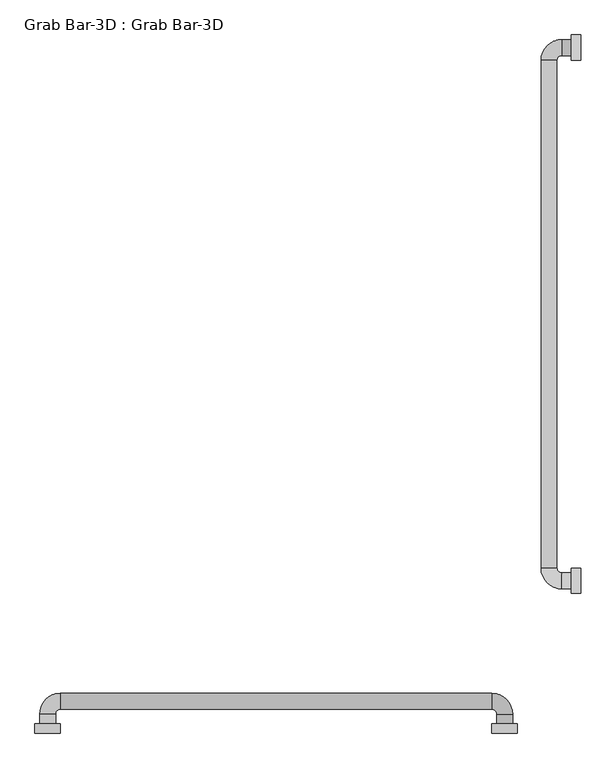
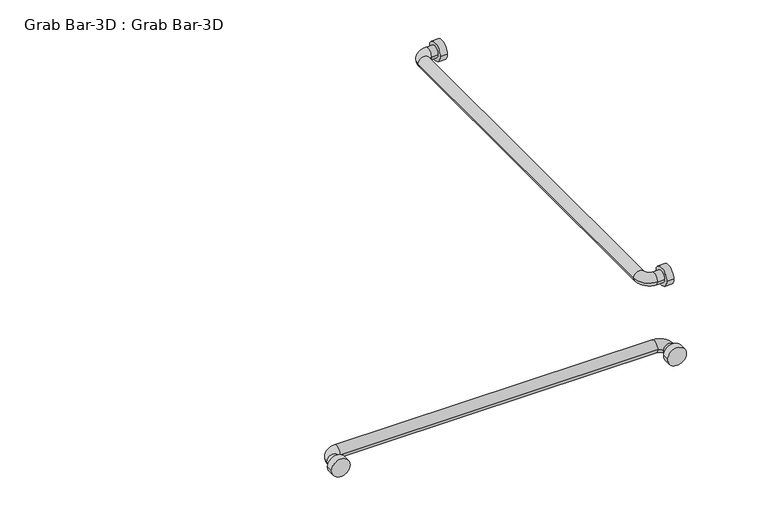
"""IFC4 building model written with IfcOpenShell, lengths in millimetres: proxy geometry, Grab Bar-3D : Grab Bar-3D."""

from ifc_helpers import new_model, si_unit, point, frame, frame_2d, origin, place, context, project, spatial, circle_curve, ellipse_curve, trimmed, segment, composite_curve, outline, extrude, source, transform, mapped, element, save
from ifc_brep_helpers import plane_surface, cylinder_surface, revolved_surface, advanced_brep


def grab_bar_3d_grab_bar_3d_00f4341b(model_context):
    return source(origin(), model_context, "Body", "SolidModel", [
        extrude(outline(composite_curve([segment(trimmed(circle_curve(frame_2d((304.8, 914.4)), 25.4), [point((279.4, 914.4))], [point((330.2, 914.4))], False, "CARTESIAN"), True, "CONTINUOUS"), segment(trimmed(circle_curve(frame_2d((304.8, 914.4)), 25.4), [point((330.2, 914.4))], [point((279.4, 914.4))], False, "CARTESIAN"), True, "CONTINUOUS")], self_intersect=False)), frame((-19.05, 0.0, 0.0), z_axis=(1.0, 0.0, 0.0), x_axis=(0.0, 1.0, 0.0)), (0.0, 0.0, 1.0), 19.05),
        extrude(outline(composite_curve([segment(trimmed(circle_curve(frame_2d((1371.6, 914.4)), 25.4), [point((1346.2, 914.4))], [point((1397.0, 914.4))], False, "CARTESIAN"), True, "CONTINUOUS"), segment(trimmed(circle_curve(frame_2d((1371.6, 914.4)), 25.4), [point((1397.0, 914.4))], [point((1346.2, 914.4))], False, "CARTESIAN"), True, "CONTINUOUS")], self_intersect=False)), frame((-19.05, 0.0, 0.0), z_axis=(1.0, 0.0, 0.0), x_axis=(0.0, 1.0, 0.0)), (0.0, 0.0, 1.0), 19.05),
        extrude(outline(composite_curve([segment(trimmed(circle_curve(frame_2d((914.4, -152.4)), 25.4), [point((914.4, -177.8))], [point((914.4, -127.0))], False, "CARTESIAN"), True, "CONTINUOUS"), segment(trimmed(circle_curve(frame_2d((914.4, -152.4)), 25.4), [point((914.4, -127.0))], [point((914.4, -177.8))], False, "CARTESIAN"), True, "CONTINUOUS")], self_intersect=False)), frame((0.0, 0.0, 0.0), z_axis=(0.0, 1.0, 0.0), x_axis=(0.0, 0.0, 1.0)), (0.0, 0.0, 1.0), 19.05),
        extrude(outline(composite_curve([segment(trimmed(circle_curve(frame_2d((914.4, -1066.8)), 25.4), [point((914.4, -1092.2))], [point((914.4, -1041.4))], False, "CARTESIAN"), True, "CONTINUOUS"), segment(trimmed(circle_curve(frame_2d((914.4, -1066.8)), 25.4), [point((914.4, -1041.4))], [point((914.4, -1092.2))], False, "CARTESIAN"), True, "CONTINUOUS")], self_intersect=False)), frame((0.0, 0.0, 0.0), z_axis=(0.0, 1.0, 0.0), x_axis=(0.0, 0.0, 1.0)), (0.0, 0.0, 1.0), 19.05),
        advanced_brep(
        [(-19.05, 320.675, 914.4), (-19.05, 288.925, 914.4), (-38.1, 320.675, 914.4), (-38.1, 288.925, 914.4), (-79.375, 330.2, 914.4), (-47.625, 330.2, 914.4), (-47.625, 1346.2, 914.4), (-79.375, 1346.2, 914.4), (-38.1, 1387.475, 914.4), (-38.1, 1355.725, 914.4), (-19.05, 1355.725, 914.4), (-19.05, 1387.475, 914.4)],
        [
            (0, 1, circle_curve(frame((-19.05, 304.8, 914.4), z_axis=(1.0, 0.0, 0.0), x_axis=(0.0, -1.0, 0.0)), 15.875)),
            (1, 0, circle_curve(frame((-19.05, 304.8, 914.4), z_axis=(1.0, 0.0, 0.0), x_axis=(0.0, -1.0, 0.0)), 15.875)),
            (0, 2),
            (2, 3, circle_curve(frame((-38.1, 304.8, 914.4), z_axis=(1.0, 0.0, 0.0), x_axis=(0.0, -1.0, 0.0)), 15.875)),
            (3, 1),
            (3, 2, circle_curve(frame((-38.1, 304.8, 914.4), z_axis=(1.0, 0.0, 0.0), x_axis=(0.0, -1.0, 0.0)), 15.875)),
            (4, 3, circle_curve(frame((-38.1, 330.2, 914.4), z_axis=(0.0, 0.0, 1.0), x_axis=(0.0, -1.0, 0.0)), 41.275)),
            (2, 5, circle_curve(frame((-38.1, 330.2, 914.4), z_axis=(0.0, 0.0, -1.0), x_axis=(0.0, -1.0, 0.0)), 9.525)),
            (5, 4, circle_curve(frame((-63.5, 330.2, 914.4), z_axis=(0.0, -1.0, 0.0), x_axis=(-1.0, 0.0, 0.0)), 15.875)),
            (4, 5, circle_curve(frame((-63.5, 330.2, 914.4), z_axis=(0.0, -1.0, 0.0), x_axis=(-1.0, 0.0, 0.0)), 15.875)),
            (5, 6),
            (6, 7, circle_curve(frame((-63.5, 1346.2, 914.4), z_axis=(0.0, -1.0, 0.0), x_axis=(-1.0, 0.0, 0.0)), 15.875)),
            (7, 4),
            (7, 6, circle_curve(frame((-63.5, 1346.2, 914.4), z_axis=(0.0, -1.0, 0.0), x_axis=(-1.0, 0.0, 0.0)), 15.875)),
            (8, 7, circle_curve(frame((-38.1, 1346.2, 914.4), z_axis=(0.0, 0.0, 1.0), x_axis=(-1.0, 0.0, 0.0)), 41.275)),
            (6, 9, circle_curve(frame((-38.1, 1346.2, 914.4), z_axis=(0.0, 0.0, -1.0), x_axis=(-1.0, 0.0, 0.0)), 9.525)),
            (9, 8, circle_curve(frame((-38.1, 1371.6, 914.4), z_axis=(-1.0, 0.0, 0.0), x_axis=(0.0, 1.0, 0.0)), 15.875)),
            (8, 9, circle_curve(frame((-38.1, 1371.6, 914.4), z_axis=(-1.0, 0.0, 0.0), x_axis=(0.0, 1.0, 0.0)), 15.875)),
            (10, 11, circle_curve(frame((-19.05, 1371.6, 914.4), z_axis=(1.0, 0.0, 0.0), x_axis=(0.0, 1.0, 0.0)), 15.875)),
            (11, 10, circle_curve(frame((-19.05, 1371.6, 914.4), z_axis=(1.0, 0.0, 0.0), x_axis=(0.0, 1.0, 0.0)), 15.875)),
            (9, 10),
            (11, 8),
        ],
        [
            plane_surface(frame((-19.05, 304.8, -930.275), z_axis=(1.0, 0.0, 0.0), x_axis=(0.0, -1.0, 0.0))),
            cylinder_surface(frame((-19.05, 304.8, 914.4), z_axis=(1.0, 0.0, 0.0), x_axis=(0.0, -1.0, 0.0)), 15.875),
            revolved_surface(trimmed(ellipse_curve(frame((-38.1, 304.8, 914.4), z_axis=(1.0, 0.0, 0.0), x_axis=(0.0, -1.0, 0.0)), 15.875, 15.875), [point((-38.1, 320.675, 914.4))], [point((-38.1, 288.925, 914.4))], True, "CARTESIAN"), (-38.1, 330.2, 0.0), (0.0, 0.0, -1.0)),
            revolved_surface(trimmed(ellipse_curve(frame((-38.1, 304.8, 914.4), z_axis=(1.0, 0.0, 0.0), x_axis=(0.0, -1.0, 0.0)), 15.875, 15.875), [point((-38.1, 288.925, 914.4))], [point((-38.1, 320.675, 914.4))], True, "CARTESIAN"), (-38.1, 330.2, 0.0), (0.0, 0.0, -1.0)),
            cylinder_surface(frame((-63.5, 330.2, 914.4), z_axis=(0.0, -1.0, 0.0), x_axis=(-1.0, 0.0, 0.0)), 15.875),
            revolved_surface(trimmed(ellipse_curve(frame((-63.5, 1346.2, 914.4), z_axis=(0.0, -1.0, 0.0), x_axis=(-1.0, 0.0, 0.0)), 15.875, 15.875), [point((-47.625, 1346.2, 914.4))], [point((-79.375, 1346.2, 914.4))], True, "CARTESIAN"), (-38.1, 1346.2, 0.0), (0.0, 0.0, -1.0)),
            revolved_surface(trimmed(ellipse_curve(frame((-63.5, 1346.2, 914.4), z_axis=(0.0, -1.0, 0.0), x_axis=(-1.0, 0.0, 0.0)), 15.875, 15.875), [point((-79.375, 1346.2, 914.4))], [point((-47.625, 1346.2, 914.4))], True, "CARTESIAN"), (-38.1, 1346.2, 0.0), (0.0, 0.0, -1.0)),
            plane_surface(frame((-19.05, 1371.6, -930.275), z_axis=(1.0, 0.0, 0.0), x_axis=(0.0, 1.0, 0.0))),
            cylinder_surface(frame((-38.1, 1371.6, 914.4), z_axis=(-1.0, 0.0, 0.0), x_axis=(0.0, 1.0, 0.0)), 15.875),
        ],
        [
            (0, [[1, 2]]),
            (1, [[-1, 3, 4, 5]]),
            (1, [[-2, -5, 6, -3]]),
            (2, [[7, -4, 8, 9]]),
            (3, [[-8, -6, -7, 10]]),
            (4, [[-9, 11, 12, 13]]),
            (4, [[-10, -13, 14, -11]]),
            (5, [[15, -12, 16, 17]]),
            (6, [[-16, -14, -15, 18]]),
            (7, [[19, 20]]),
            (8, [[-17, 21, -20, 22]]),
            (8, [[-18, -22, -19, -21]]),
        ],
    ),
        advanced_brep(
        [(-1050.925, 19.05, 914.4), (-1082.675, 19.05, 914.4), (-1050.925, 38.1, 914.4), (-1082.675, 38.1, 914.4), (-1041.4, 79.375, 914.4), (-1041.4, 47.625, 914.4), (-177.8, 47.625, 914.4), (-177.8, 79.375, 914.4), (-136.525, 38.1, 914.4), (-168.275, 38.1, 914.4), (-168.275, 19.05, 914.4), (-136.525, 19.05, 914.4)],
        [
            (0, 1, circle_curve(frame((-1066.8, 19.05, 914.4), z_axis=(0.0, -1.0, 0.0), x_axis=(-1.0, 0.0, 0.0)), 15.875)),
            (1, 0, circle_curve(frame((-1066.8, 19.05, 914.4), z_axis=(0.0, -1.0, 0.0), x_axis=(-1.0, 0.0, 0.0)), 15.875)),
            (0, 2),
            (2, 3, circle_curve(frame((-1066.8, 38.1, 914.4), z_axis=(0.0, -1.0, 0.0), x_axis=(-1.0, 0.0, 0.0)), 15.875)),
            (3, 1),
            (3, 2, circle_curve(frame((-1066.8, 38.1, 914.4), z_axis=(0.0, -1.0, 0.0), x_axis=(-1.0, 0.0, 0.0)), 15.875)),
            (4, 3, circle_curve(frame((-1041.4, 38.1, 914.4), z_axis=(0.0, 0.0, 1.0), x_axis=(-1.0, 0.0, 0.0)), 41.275)),
            (2, 5, circle_curve(frame((-1041.4, 38.1, 914.4), z_axis=(0.0, 0.0, -1.0), x_axis=(-1.0, 0.0, 0.0)), 9.525)),
            (5, 4, circle_curve(frame((-1041.4, 63.5, 914.4), z_axis=(-1.0, 0.0, 0.0), x_axis=(0.0, 1.0, 0.0)), 15.875)),
            (4, 5, circle_curve(frame((-1041.4, 63.5, 914.4), z_axis=(-1.0, 0.0, 0.0), x_axis=(0.0, 1.0, 0.0)), 15.875)),
            (5, 6),
            (6, 7, circle_curve(frame((-177.8, 63.5, 914.4), z_axis=(-1.0, 0.0, 0.0), x_axis=(0.0, 1.0, 0.0)), 15.875)),
            (7, 4),
            (7, 6, circle_curve(frame((-177.8, 63.5, 914.4), z_axis=(-1.0, 0.0, 0.0), x_axis=(0.0, 1.0, 0.0)), 15.875)),
            (8, 7, circle_curve(frame((-177.8, 38.1, 914.4), z_axis=(0.0, 0.0, 1.0), x_axis=(0.0, 1.0, 0.0)), 41.275)),
            (6, 9, circle_curve(frame((-177.8, 38.1, 914.4), z_axis=(0.0, 0.0, -1.0), x_axis=(0.0, 1.0, 0.0)), 9.525)),
            (9, 8, circle_curve(frame((-152.4, 38.1, 914.4), z_axis=(0.0, 1.0, 0.0), x_axis=(1.0, 0.0, 0.0)), 15.875)),
            (8, 9, circle_curve(frame((-152.4, 38.1, 914.4), z_axis=(0.0, 1.0, 0.0), x_axis=(1.0, 0.0, 0.0)), 15.875)),
            (10, 11, circle_curve(frame((-152.4, 19.05, 914.4), z_axis=(0.0, -1.0, 0.0), x_axis=(1.0, 0.0, 0.0)), 15.875)),
            (11, 10, circle_curve(frame((-152.4, 19.05, 914.4), z_axis=(0.0, -1.0, 0.0), x_axis=(1.0, 0.0, 0.0)), 15.875)),
            (9, 10),
            (11, 8),
        ],
        [
            plane_surface(frame((-1997.075, 19.05, 0.0), z_axis=(0.0, -1.0, 0.0), x_axis=(0.0, 0.0, 1.0))),
            cylinder_surface(frame((-1066.8, 19.05, 914.4), z_axis=(0.0, -1.0, 0.0), x_axis=(-1.0, 0.0, 0.0)), 15.875),
            revolved_surface(trimmed(ellipse_curve(frame((-1066.8, 38.1, 914.4), z_axis=(0.0, -1.0, 0.0), x_axis=(-1.0, 0.0, 0.0)), 15.875, 15.875), [point((-1050.925, 38.1, 914.4))], [point((-1082.675, 38.1, 914.4))], True, "CARTESIAN"), (-1041.4, 38.1, 0.0), (0.0, 0.0, -1.0)),
            revolved_surface(trimmed(ellipse_curve(frame((-1066.8, 38.1, 914.4), z_axis=(0.0, -1.0, 0.0), x_axis=(-1.0, 0.0, 0.0)), 15.875, 15.875), [point((-1082.675, 38.1, 914.4))], [point((-1050.925, 38.1, 914.4))], True, "CARTESIAN"), (-1041.4, 38.1, 0.0), (0.0, 0.0, -1.0)),
            cylinder_surface(frame((-1041.4, 63.5, 914.4), z_axis=(-1.0, 0.0, 0.0), x_axis=(0.0, 1.0, 0.0)), 15.875),
            revolved_surface(trimmed(ellipse_curve(frame((-177.8, 63.5, 914.4), z_axis=(-1.0, 0.0, 0.0), x_axis=(0.0, 1.0, 0.0)), 15.875, 15.875), [point((-177.8, 47.625, 914.4))], [point((-177.8, 79.375, 914.4))], True, "CARTESIAN"), (-177.8, 38.1, 0.0), (0.0, 0.0, -1.0)),
            revolved_surface(trimmed(ellipse_curve(frame((-177.8, 63.5, 914.4), z_axis=(-1.0, 0.0, 0.0), x_axis=(0.0, 1.0, 0.0)), 15.875, 15.875), [point((-177.8, 79.375, 914.4))], [point((-177.8, 47.625, 914.4))], True, "CARTESIAN"), (-177.8, 38.1, 0.0), (0.0, 0.0, -1.0)),
            plane_surface(frame((-1082.675, 19.05, 0.0), z_axis=(0.0, -1.0, 0.0), x_axis=(0.0, 0.0, -1.0))),
            cylinder_surface(frame((-152.4, 38.1, 914.4), z_axis=(0.0, 1.0, 0.0), x_axis=(1.0, 0.0, 0.0)), 15.875),
        ],
        [
            (0, [[1, 2]]),
            (1, [[-1, 3, 4, 5]]),
            (1, [[-2, -5, 6, -3]]),
            (2, [[7, -4, 8, 9]]),
            (3, [[-8, -6, -7, 10]]),
            (4, [[-9, 11, 12, 13]]),
            (4, [[-10, -13, 14, -11]]),
            (5, [[15, -12, 16, 17]]),
            (6, [[-16, -14, -15, 18]]),
            (7, [[19, 20]]),
            (8, [[-17, 21, -20, 22]]),
            (8, [[-18, -22, -19, -21]]),
        ],
    ),
    ])


if __name__ == "__main__":
    model = new_model("IFC4")
    model_context = context("Model", 3, world=origin())
    ifc_project = project(units=[si_unit("LENGTHUNIT", "METRE", prefix="MILLI")], contexts=[model_context])
    site = spatial("IfcSite", under=ifc_project)
    building = spatial("IfcBuilding", under=site)
    placement = place(None, origin())
    grab_bar_3d_grab_bar_3d_shape = grab_bar_3d_grab_bar_3d_00f4341b(model_context)
    element("IfcBuildingElementProxy", 1, Name="Grab Bar-3D : Grab Bar-3D", ObjectType="Grab Bar-3D : Grab Bar-3D", at=placement, inside=building, context=model_context, shape_type="MappedRepresentation", body=[
        mapped(grab_bar_3d_grab_bar_3d_shape, transform((0.0, 0.0, 0.0), x_axis=(1.0, 0.0, 0.0), y_axis=(0.0, 1.0, 0.0), z_axis=(0.0, 0.0, 1.0))),
    ])
    save(model, "model.ifc")
